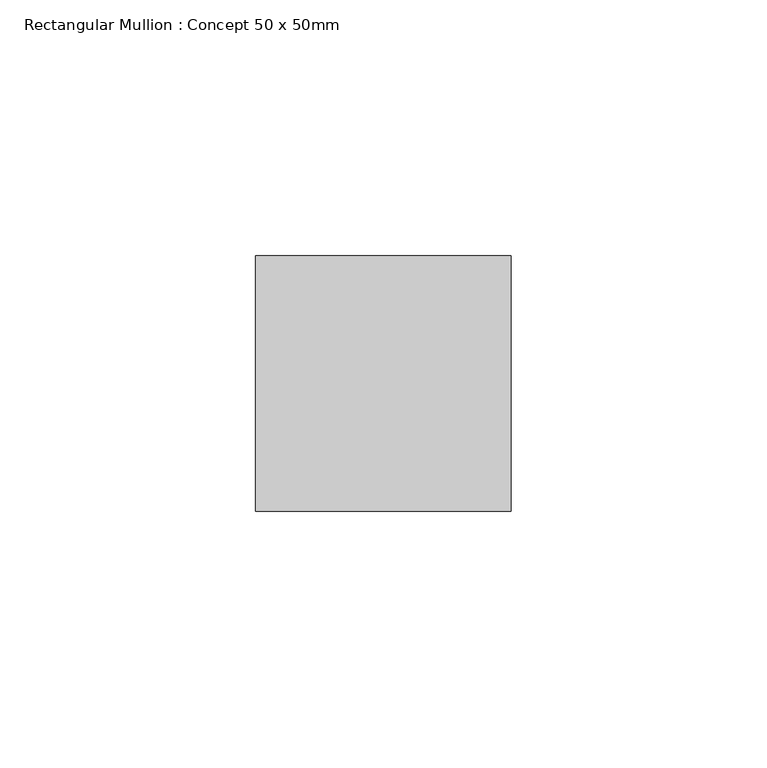
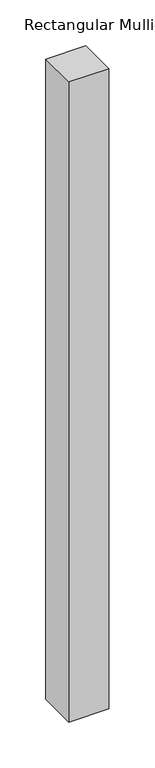
"""IFC4 building model written with IfcOpenShell, lengths in millimetres: member geometry, Rectangular Mullion : Concept 50 x 50mm."""

from ifc_helpers import new_model, si_unit, frame, origin, place, context, project, spatial, polyline, outline, extrude, source, transform, mapped, element, save


def rectangular_mullion_concept_50_x_50mm_31e50c49(model_context):
    return source(origin(), model_context, "Body", "SweptSolid", [
        extrude(outline(polyline([(0.0, 50.0), (0.0, 0.0), (-50.0, 0.0), (-50.0, 50.0), (0.0, 50.0)])), frame((0.0, 0.0, -851.25), z_axis=(0.0, 0.0, 1.0), x_axis=(1.0, 0.0, 0.0)), (0.0, 0.0, 1.0), 851.25),
    ])


if __name__ == "__main__":
    model = new_model("IFC4")
    model_context = context("Model", 3, world=origin())
    ifc_project = project(units=[si_unit("LENGTHUNIT", "METRE", prefix="MILLI")], contexts=[model_context])
    site = spatial("IfcSite", under=ifc_project)
    building = spatial("IfcBuilding", under=site)
    placement = place(None, origin())
    rectangular_mullion_concept_50_x_50mm_shape = rectangular_mullion_concept_50_x_50mm_31e50c49(model_context)
    element("IfcMember", 1, ObjectType="Rectangular Mullion : Concept 50 x 50mm", at=placement, inside=building, context=model_context, shape_type="MappedRepresentation", body=[
        mapped(rectangular_mullion_concept_50_x_50mm_shape, transform((0.0, 0.0, 0.0), x_axis=(1.0, 0.0, 0.0), y_axis=(0.0, 1.0, 0.0), z_axis=(0.0, 0.0, 1.0))),
    ])
    save(model, "model.ifc")
